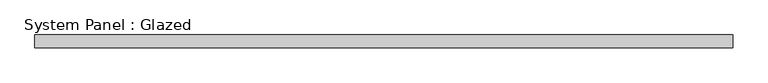
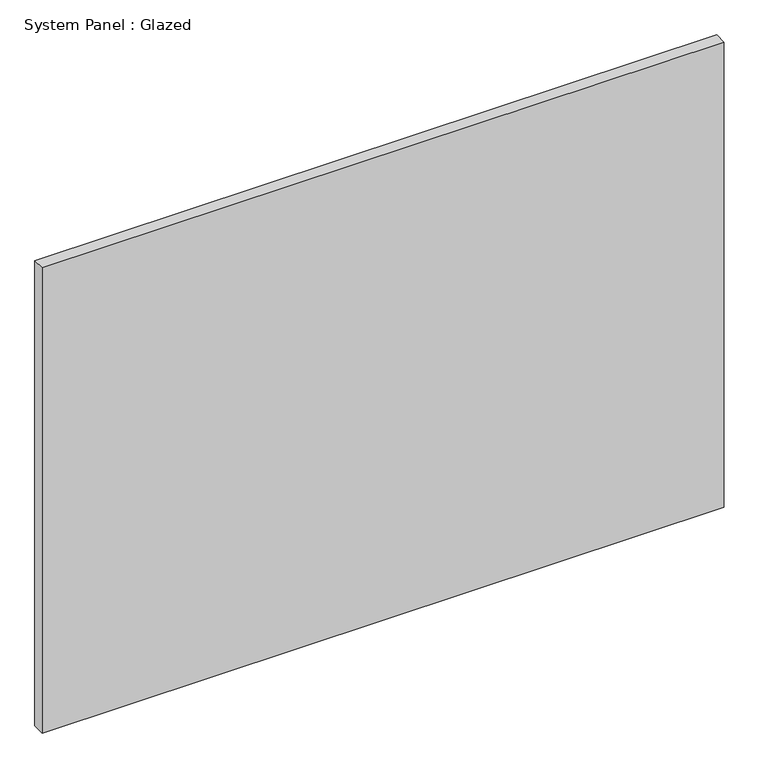
"""IFC4 building model written with IfcOpenShell, lengths in millimetres: plate geometry, System Panel : Glazed."""

from ifc_helpers import new_model, si_unit, origin, origin_with_axes, place, context, project, spatial, polyline, outline, extrude, source, transform, mapped, element, save


def system_panel_glazed_7375d643(model_context):
    return source(origin(), model_context, "Body", "SweptSolid", [
        extrude(outline(polyline([(684.7278333, 24.5), (-684.7278333, 24.5), (-684.7278333, 49.5), (684.7278333, 49.5), (684.7278333, 24.5)])), origin_with_axes(), (0.0, 0.0, 1.0), 987.1494736),
    ])


if __name__ == "__main__":
    model = new_model("IFC4")
    model_context = context("Model", 3, world=origin())
    ifc_project = project(units=[si_unit("LENGTHUNIT", "METRE", prefix="MILLI")], contexts=[model_context])
    site = spatial("IfcSite", under=ifc_project)
    building = spatial("IfcBuilding", under=site)
    placement = place(None, origin())
    system_panel_glazed_shape = system_panel_glazed_7375d643(model_context)
    element("IfcPlate", 1, ObjectType="System Panel : Glazed", at=placement, inside=building, context=model_context, shape_type="MappedRepresentation", body=[
        mapped(system_panel_glazed_shape, transform((0.0, 0.0, 0.0), x_axis=(1.0, 0.0, 0.0), y_axis=(0.0, 1.0, 0.0), z_axis=(0.0, 0.0, 1.0))),
    ])
    save(model, "model.ifc")
